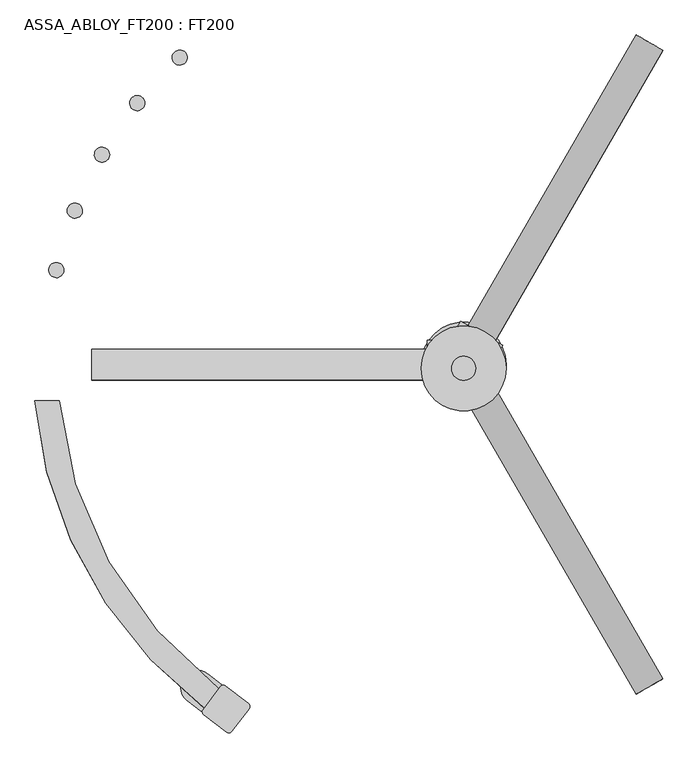
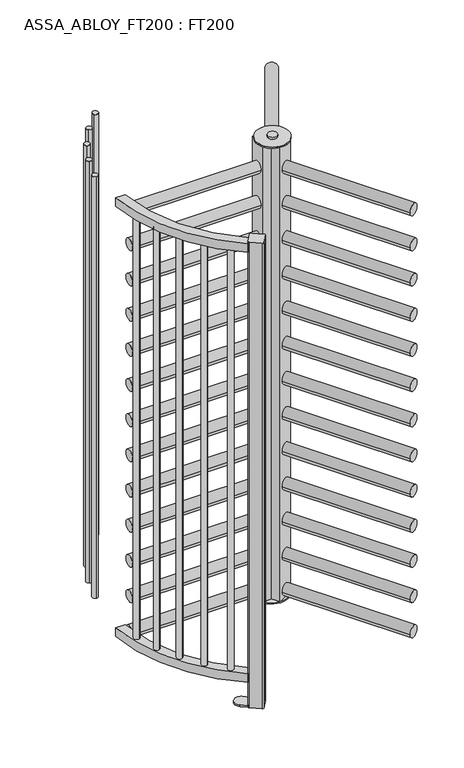
"""IFC4 building model written with IfcOpenShell, lengths in millimetres: proxy geometry, ASSA_ABLOY_FT200 : FT200."""

import ifcopenshell
import ifcopenshell.guid

model = None  # the IFC model being written
_history = None  # IfcOwnerHistory: only IFC2X3 demands one
_inside = {}  # id of a spatial element -> (the spatial element, [elements in it])
_under = {}  # id of a project, library or spatial element -> (it, [spatial elements below it])
_declared = {}  # id of a project -> (the project, [libraries it declares])
_typed = {}  # id of a type object -> (the type object, [elements of that type])
_made_of = {}  # id of a material, layer set ... -> (it, [elements and type objects made of it])


def new_model(schema):
    """Start an empty IFC model of exactly this schema.

    Asked for "IFC4X3", IfcOpenShell would pick the latest addendum, in which some entities
    have other attributes; the version numbers below select the first issue.
    IFC2X3 requires an IfcOwnerHistory on every rooted entity: one is made here for all.
    """
    global model, _history
    if schema == "IFC4X3":
        model = ifcopenshell.file(schema_version=(4, 3, 0, 0))
    else:
        model = ifcopenshell.file(schema=schema)
    _inside.clear()
    _under.clear()
    _declared.clear()
    _typed.clear()
    _made_of.clear()
    _history = None
    if model.schema == "IFC2X3":
        org = make("IfcOrganization", Name="unknown")
        user = make(
            "IfcPersonAndOrganization",
            ThePerson=make("IfcPerson", FamilyName="unknown"),
            TheOrganization=org,
        )
        app = make(
            "IfcApplication",
            ApplicationDeveloper=org,
            Version="unknown",
            ApplicationFullName="unknown",
            ApplicationIdentifier="unknown",
        )
        _history = make(
            "IfcOwnerHistory",
            OwningUser=user,
            OwningApplication=app,
            ChangeAction="ADDED",
            CreationDate=0,
        )
    return model


def make(cls, **values):
    """One entity of the class cls with the attributes given. An attribute that is None is left unset."""
    return model.create_entity(
        cls, **{name: value for name, value in values.items() if value is not None}
    )


def rooted(cls, **values):
    """An entity with a GlobalId (a new one), such as an element, a storey or a relation."""
    return make(cls, GlobalId=ifcopenshell.guid.new(), OwnerHistory=_history, **values)


def si_unit(unit_type, name, prefix=None):
    """IfcSIUnit, for example si_unit("LENGTHUNIT", "METRE", prefix="MILLI")."""
    return make("IfcSIUnit", UnitType=unit_type, Prefix=prefix, Name=name)


def assignment(units):
    """IfcUnitAssignment: the units of a project."""
    return None if units is None else make("IfcUnitAssignment", Units=units)


def point(xyz):
    """IfcCartesianPoint."""
    return None if xyz is None else make("IfcCartesianPoint", Coordinates=xyz)


def direction(xyz):
    """IfcDirection."""
    return None if xyz is None else make("IfcDirection", DirectionRatios=xyz)


def frame(location, z_axis=None, x_axis=None):
    """IfcAxis2Placement3D, a coordinate frame: its origin and axes. An axis left out is left unset."""
    return make(
        "IfcAxis2Placement3D",
        Location=point(location),
        Axis=direction(z_axis),
        RefDirection=direction(x_axis),
    )


def frame_2d(location, x_axis=None):
    """IfcAxis2Placement2D, a coordinate frame in the plane: its origin and x axis."""
    return make(
        "IfcAxis2Placement2D", Location=point(location), RefDirection=direction(x_axis)
    )


def origin():
    """The frame at (0, 0, 0) with its axes left unset."""
    return frame((0.0, 0.0, 0.0))


def origin_with_axes():
    """The frame at (0, 0, 0) with the z axis (0, 0, 1) and the x axis (1, 0, 0) written out."""
    return frame((0.0, 0.0, 0.0), z_axis=(0.0, 0.0, 1.0), x_axis=(1.0, 0.0, 0.0))


def origin_2d():
    """The frame at (0, 0) in the plane with its x axis left unset."""
    return frame_2d((0.0, 0.0))


def place(relative_to, where):
    """IfcLocalPlacement: puts the frame where relative to a parent placement (None: the world)."""
    return make(
        "IfcLocalPlacement", PlacementRelTo=relative_to, RelativePlacement=where
    )


def context(
    kind, dimensions, precision=None, world=None, true_north=None, identifier=None
):
    """IfcGeometricRepresentationContext, for example the 3D "Model" context."""
    return make(
        "IfcGeometricRepresentationContext",
        ContextIdentifier=identifier,
        ContextType=kind,
        CoordinateSpaceDimension=dimensions,
        Precision=precision,
        WorldCoordinateSystem=world,
        TrueNorth=true_north,
    )


def project(units=None, contexts=None):
    """IfcProject with its units and contexts."""
    return rooted(
        "IfcProject",
        Name="project",
        RepresentationContexts=contexts,
        UnitsInContext=assignment(units),
    )


def spatial(cls, under=None, at=None, **own):
    """A site, building, storey or space (cls), placed at a placement, below another one or the project."""
    s = rooted(cls, ObjectPlacement=at, **own)
    if under is not None:
        _under.setdefault(under.id(), (under, []))[1].append(s)
    return s


def polyline(points):
    """IfcPolyline through the points."""
    return make("IfcPolyline", Points=[point(p) for p in points])


def circle_curve(where, radius):
    """IfcCircle in the frame where."""
    return make("IfcCircle", Position=where, Radius=radius)


def trimmed(basis, trim1, trim2, sense, master):
    """IfcTrimmedCurve: the piece of a basis curve between two trims."""
    return make(
        "IfcTrimmedCurve",
        BasisCurve=basis,
        Trim1=trim1,
        Trim2=trim2,
        SenseAgreement=sense,
        MasterRepresentation=master,
    )


def segment(curve, same_sense, transition):
    """IfcCompositeCurveSegment."""
    return make(
        "IfcCompositeCurveSegment",
        Transition=transition,
        SameSense=same_sense,
        ParentCurve=curve,
    )


def composite_curve(segments, self_intersect=None):
    """IfcCompositeCurve: segments joined end to end."""
    return make("IfcCompositeCurve", Segments=segments, SelfIntersect=self_intersect)


def outline(outer, holes=None, kind="AREA"):
    """IfcArbitraryClosedProfileDef: a profile drawn as a closed curve; with holes, ...WithVoids."""
    if holes is None:
        return make("IfcArbitraryClosedProfileDef", ProfileType=kind, OuterCurve=outer)
    return make(
        "IfcArbitraryProfileDefWithVoids",
        ProfileType=kind,
        OuterCurve=outer,
        InnerCurves=holes,
    )


def extrude(swept, where, along, depth):
    """IfcExtrudedAreaSolid: the profile swept, set in the frame where, extruded along a direction by depth."""
    return make(
        "IfcExtrudedAreaSolid",
        SweptArea=swept,
        Position=where,
        ExtrudedDirection=direction(along),
        Depth=depth,
    )


def shape(context_of_items, identifier, shape_type, items):
    """IfcShapeRepresentation: the items that make up one representation, for example the "Body"."""
    return make(
        "IfcShapeRepresentation",
        ContextOfItems=context_of_items,
        RepresentationIdentifier=identifier,
        RepresentationType=shape_type,
        Items=items,
    )


def source(mapping_origin, context_of_items, identifier, shape_type, items):
    """IfcRepresentationMap: a shape defined once, which mapped items show again and again."""
    return make(
        "IfcRepresentationMap",
        MappingOrigin=mapping_origin,
        MappedRepresentation=shape(context_of_items, identifier, shape_type, items),
    )


def transform(
    local_origin,
    x_axis=None,
    y_axis=None,
    z_axis=None,
    scale=None,
    scale2=None,
    scale3=None,
    uniform=True,
):
    """IfcCartesianTransformationOperator3D, or its non-uniform kind. x_axis, y_axis, z_axis: its Axis1, 2, 3."""
    if uniform:
        return make(
            "IfcCartesianTransformationOperator3D",
            Axis1=direction(x_axis),
            Axis2=direction(y_axis),
            LocalOrigin=point(local_origin),
            Scale=scale,
            Axis3=direction(z_axis),
        )
    return make(
        "IfcCartesianTransformationOperator3DnonUniform",
        Axis1=direction(x_axis),
        Axis2=direction(y_axis),
        LocalOrigin=point(local_origin),
        Scale=scale,
        Axis3=direction(z_axis),
        Scale2=scale2,
        Scale3=scale3,
    )


def mapped(mapping_source, mapping_target):
    """IfcMappedItem: shows the shape of a source again, moved by a transform."""
    return make(
        "IfcMappedItem", MappingSource=mapping_source, MappingTarget=mapping_target
    )


def made_of(thing, what):
    """Note that an element or type object is made of a material, layer set ...; save() writes the relation."""
    if what is not None:
        _made_of.setdefault(what.id(), (what, []))[1].append(thing)
    return thing


def element(
    cls,
    number,
    at=None,
    inside=None,
    cuts=None,
    type_object=None,
    material=None,
    context=None,
    identifier="Body",
    shape_type=None,
    held_by="IfcProductDefinitionShape",
    body=None,
    shapes=None,
    **own,
):
    """One element of the class cls, such as IfcWall. Its Tag is "e" and its number.

    at: its placement. inside: the storey or other place that contains it. cuts: it is an
    opening in that element (IfcRelVoidsElement). A single representation is given by context,
    identifier, shape_type and body (its items); several are given by shapes. held_by: the class
    of the entity that holds the representations. save() writes the other relations.
    """
    e = rooted(cls, Tag="e%d" % number, ObjectPlacement=at, **own)
    if body is not None:
        shapes = [shape(context, identifier, shape_type, body)]
    if shapes is not None:
        e.Representation = make(held_by, Representations=shapes)
    if inside is not None:
        _inside.setdefault(inside.id(), (inside, []))[1].append(e)
    if cuts is not None:
        rooted(
            "IfcRelVoidsElement", RelatingBuildingElement=cuts, RelatedOpeningElement=e
        )
    if type_object is not None:
        _typed.setdefault(type_object.id(), (type_object, []))[1].append(e)
    return made_of(e, material)


def aggregate(whole, parts):
    """IfcRelAggregates: a whole, such as a stair, and the parts it consists of."""
    return rooted("IfcRelAggregates", RelatingObject=whole, RelatedObjects=parts)


def save(model, path):
    """Write the relations noted so far, then the file.

    IfcRelAggregates (storeys below a building ...), IfcRelContainedInSpatialStructure (elements
    in a storey), IfcRelDefinesByType, IfcRelAssociatesMaterial and IfcRelDeclares: one each for
    every whole, place, type object, material and project.
    """
    for whole, parts in _under.values():
        aggregate(whole, parts)
    for where, things in _inside.values():
        rooted(
            "IfcRelContainedInSpatialStructure",
            RelatedElements=things,
            RelatingStructure=where,
        )
    for kind, things in _typed.values():
        rooted("IfcRelDefinesByType", RelatedObjects=things, RelatingType=kind)
    for what, things in _made_of.values():
        rooted("IfcRelAssociatesMaterial", RelatedObjects=things, RelatingMaterial=what)
    for by, libraries in _declared.values():
        rooted("IfcRelDeclares", RelatingContext=by, RelatedDefinitions=libraries)
    model.write(path)


def plane_surface(at):
    """IfcPlane: the flat surface through the origin of the frame at, square to its z axis."""
    return make("IfcPlane", Position=at)


def cylinder_surface(at, radius):
    """IfcCylindricalSurface: all points at the distance radius from the z axis of the frame at."""
    return make("IfcCylindricalSurface", Position=at, Radius=radius)


def advanced_brep(points, edges, surfaces, faces):
    """IfcAdvancedBrep: a solid bounded by faces that lie on surfaces and meet in shared edges.

    An edge is (start, end): straight between two places in points (the first is 0);
    or (start, end, curve); or (start, end, curve, False) where it runs against its curve.
    A face is (place in surfaces, loops), or (place, loops, False) where it looks against
    its surface's normal. A loop lists edges by number (the first is 1), with a minus sign
    where the edge is run from its end to its start. The first loop is the outer one.
    """
    corners = [point(p) for p in points]
    vertices = [make("IfcVertexPoint", VertexGeometry=c) for c in corners]
    made = []
    for start, end, *more in edges:
        made.append(
            make(
                "IfcEdgeCurve",
                EdgeStart=vertices[start],
                EdgeEnd=vertices[end],
                EdgeGeometry=more[0] if more else make("IfcPolyline", Points=[corners[start], corners[end]]),
                SameSense=more[1] if len(more) > 1 else True,
            )
        )
    hull = []
    for where, loops, *sense in faces:
        bounds = []
        for j, loop in enumerate(loops):
            ring = [make("IfcOrientedEdge", EdgeElement=made[abs(k) - 1], Orientation=k > 0) for k in loop]
            bounds.append(
                make(
                    "IfcFaceOuterBound" if j == 0 else "IfcFaceBound",
                    Bound=make("IfcEdgeLoop", EdgeList=ring),
                    Orientation=True,
                )
            )
        hull.append(make("IfcAdvancedFace", Bounds=bounds, FaceSurface=surfaces[where], SameSense=sense[0] if sense else True))
    return make("IfcAdvancedBrep", Outer=make("IfcClosedShell", CfsFaces=hull))


def assa_abloy_ft200_ft200_7b06ebcd(model_context):
    return source(origin(), model_context, "Body", "SolidModel", [
        extrude(outline(composite_curve([segment(trimmed(circle_curve(frame_2d((25.5, -2.28e-05)), 25.5), [point((25.5, 25.4999771))], [point((25.5, -25.5000229))], False, "CARTESIAN"), True, "CONTINUOUS"), segment(trimmed(circle_curve(frame_2d((25.5, -2.28e-05)), 25.5), [point((25.5, -25.5000229))], [point((25.5, 25.4999771))], False, "CARTESIAN"), True, "CONTINUOUS")], self_intersect=False)), frame((307.9197029, -533.3773229, 37.0), z_axis=(-0.49996853474322756, 0.866043569496772, 0.0), x_axis=(0.0, 0.0, 1.0)), (0.0, 0.0, 1.0), 555.9000001),
        extrude(outline(composite_curve([segment(trimmed(circle_curve(frame_2d((186.5, -2.28e-05)), 25.5), [point((186.5, 25.4999771))], [point((186.5, -25.5000229))], False, "CARTESIAN"), True, "CONTINUOUS"), segment(trimmed(circle_curve(frame_2d((186.5, -2.28e-05)), 25.5), [point((186.5, -25.5000229))], [point((186.5, 25.4999771))], False, "CARTESIAN"), True, "CONTINUOUS")], self_intersect=False)), frame((307.9197029, -533.3773229, 37.0), z_axis=(-0.49996853474322756, 0.866043569496772, 0.0), x_axis=(0.0, 0.0, 1.0)), (0.0, 0.0, 1.0), 555.9000001),
        extrude(outline(composite_curve([segment(trimmed(circle_curve(frame_2d((347.5, -2.28e-05)), 25.5), [point((347.5, 25.4999771))], [point((347.5, -25.5000229))], False, "CARTESIAN"), True, "CONTINUOUS"), segment(trimmed(circle_curve(frame_2d((347.5, -2.28e-05)), 25.5), [point((347.5, -25.5000229))], [point((347.5, 25.4999771))], False, "CARTESIAN"), True, "CONTINUOUS")], self_intersect=False)), frame((307.9197029, -533.3773229, 37.0), z_axis=(-0.49996853474322756, 0.866043569496772, 0.0), x_axis=(0.0, 0.0, 1.0)), (0.0, 0.0, 1.0), 555.9000001),
        extrude(outline(composite_curve([segment(trimmed(circle_curve(frame_2d((508.5, -2.28e-05)), 25.5), [point((508.5, 25.4999771))], [point((508.5, -25.5000229))], False, "CARTESIAN"), True, "CONTINUOUS"), segment(trimmed(circle_curve(frame_2d((508.5, -2.28e-05)), 25.5), [point((508.5, -25.5000229))], [point((508.5, 25.4999771))], False, "CARTESIAN"), True, "CONTINUOUS")], self_intersect=False)), frame((307.9197029, -533.3773229, 37.0), z_axis=(-0.49996853474322756, 0.866043569496772, 0.0), x_axis=(0.0, 0.0, 1.0)), (0.0, 0.0, 1.0), 555.9000001),
        extrude(outline(composite_curve([segment(trimmed(circle_curve(frame_2d((669.5, -2.28e-05)), 25.5), [point((669.5, 25.4999771))], [point((669.5, -25.5000229))], False, "CARTESIAN"), True, "CONTINUOUS"), segment(trimmed(circle_curve(frame_2d((669.5, -2.28e-05)), 25.5), [point((669.5, -25.5000229))], [point((669.5, 25.4999771))], False, "CARTESIAN"), True, "CONTINUOUS")], self_intersect=False)), frame((307.9197029, -533.3773229, 37.0), z_axis=(-0.49996853474322756, 0.866043569496772, 0.0), x_axis=(0.0, 0.0, 1.0)), (0.0, 0.0, 1.0), 555.9000001),
        extrude(outline(composite_curve([segment(trimmed(circle_curve(frame_2d((830.5, -2.28e-05)), 25.5), [point((830.5, 25.4999771))], [point((830.5, -25.5000229))], False, "CARTESIAN"), True, "CONTINUOUS"), segment(trimmed(circle_curve(frame_2d((830.5, -2.28e-05)), 25.5), [point((830.5, -25.5000229))], [point((830.5, 25.4999771))], False, "CARTESIAN"), True, "CONTINUOUS")], self_intersect=False)), frame((307.9197029, -533.3773229, 37.0), z_axis=(-0.49996853474322756, 0.866043569496772, 0.0), x_axis=(0.0, 0.0, 1.0)), (0.0, 0.0, 1.0), 555.9000001),
        extrude(outline(composite_curve([segment(trimmed(circle_curve(frame_2d((991.5, -2.28e-05)), 25.5), [point((991.5, 25.4999771))], [point((991.5, -25.5000229))], False, "CARTESIAN"), True, "CONTINUOUS"), segment(trimmed(circle_curve(frame_2d((991.5, -2.28e-05)), 25.5), [point((991.5, -25.5000229))], [point((991.5, 25.4999771))], False, "CARTESIAN"), True, "CONTINUOUS")], self_intersect=False)), frame((307.9197029, -533.3773229, 37.0), z_axis=(-0.49996853474322756, 0.866043569496772, 0.0), x_axis=(0.0, 0.0, 1.0)), (0.0, 0.0, 1.0), 555.9000001),
        extrude(outline(composite_curve([segment(trimmed(circle_curve(frame_2d((1152.5, -2.28e-05)), 25.5), [point((1152.5, 25.4999771))], [point((1152.5, -25.5000229))], False, "CARTESIAN"), True, "CONTINUOUS"), segment(trimmed(circle_curve(frame_2d((1152.5, -2.28e-05)), 25.5), [point((1152.5, -25.5000229))], [point((1152.5, 25.4999771))], False, "CARTESIAN"), True, "CONTINUOUS")], self_intersect=False)), frame((307.9197029, -533.3773229, 37.0), z_axis=(-0.49996853474322756, 0.866043569496772, 0.0), x_axis=(0.0, 0.0, 1.0)), (0.0, 0.0, 1.0), 555.9000001),
        extrude(outline(composite_curve([segment(trimmed(circle_curve(frame_2d((1313.5, -2.28e-05)), 25.5), [point((1313.5, 25.4999771))], [point((1313.5, -25.5000229))], False, "CARTESIAN"), True, "CONTINUOUS"), segment(trimmed(circle_curve(frame_2d((1313.5, -2.28e-05)), 25.5), [point((1313.5, -25.5000229))], [point((1313.5, 25.4999771))], False, "CARTESIAN"), True, "CONTINUOUS")], self_intersect=False)), frame((307.9197029, -533.3773229, 37.0), z_axis=(-0.49996853474322756, 0.866043569496772, 0.0), x_axis=(0.0, 0.0, 1.0)), (0.0, 0.0, 1.0), 555.9000001),
        extrude(outline(composite_curve([segment(trimmed(circle_curve(frame_2d((1474.5, -2.28e-05)), 25.5), [point((1474.5, 25.4999771))], [point((1474.5, -25.5000229))], False, "CARTESIAN"), True, "CONTINUOUS"), segment(trimmed(circle_curve(frame_2d((1474.5, -2.28e-05)), 25.5), [point((1474.5, -25.5000229))], [point((1474.5, 25.4999771))], False, "CARTESIAN"), True, "CONTINUOUS")], self_intersect=False)), frame((307.9197029, -533.3773229, 37.0), z_axis=(-0.49996853474322756, 0.866043569496772, 0.0), x_axis=(0.0, 0.0, 1.0)), (0.0, 0.0, 1.0), 555.9000001),
        extrude(outline(composite_curve([segment(trimmed(circle_curve(frame_2d((1635.5, -2.28e-05)), 25.5), [point((1635.5, 25.4999771))], [point((1635.5, -25.5000229))], False, "CARTESIAN"), True, "CONTINUOUS"), segment(trimmed(circle_curve(frame_2d((1635.5, -2.28e-05)), 25.5), [point((1635.5, -25.5000229))], [point((1635.5, 25.4999771))], False, "CARTESIAN"), True, "CONTINUOUS")], self_intersect=False)), frame((307.9197029, -533.3773229, 37.0), z_axis=(-0.49996853474322756, 0.866043569496772, 0.0), x_axis=(0.0, 0.0, 1.0)), (0.0, 0.0, 1.0), 555.9000001),
        extrude(outline(composite_curve([segment(trimmed(circle_curve(frame_2d((1796.5, -2.28e-05)), 25.5), [point((1796.5, 25.4999771))], [point((1796.5, -25.5000229))], False, "CARTESIAN"), True, "CONTINUOUS"), segment(trimmed(circle_curve(frame_2d((1796.5, -2.28e-05)), 25.5), [point((1796.5, -25.5000229))], [point((1796.5, 25.4999771))], False, "CARTESIAN"), True, "CONTINUOUS")], self_intersect=False)), frame((307.9197029, -533.3773229, 37.0), z_axis=(-0.49996853474322756, 0.866043569496772, 0.0), x_axis=(0.0, 0.0, 1.0)), (0.0, 0.0, 1.0), 555.9000001),
        extrude(outline(composite_curve([segment(trimmed(circle_curve(frame_2d((1957.5, -2.28e-05)), 25.5), [point((1957.5, 25.4999771))], [point((1957.5, -25.5000229))], False, "CARTESIAN"), True, "CONTINUOUS"), segment(trimmed(circle_curve(frame_2d((1957.5, -2.28e-05)), 25.5), [point((1957.5, -25.5000229))], [point((1957.5, 25.4999771))], False, "CARTESIAN"), True, "CONTINUOUS")], self_intersect=False)), frame((307.9197029, -533.3773229, 37.0), z_axis=(-0.49996853474322756, 0.866043569496772, 0.0), x_axis=(0.0, 0.0, 1.0)), (0.0, 0.0, 1.0), 555.9000001),
        extrude(outline(composite_curve([segment(trimmed(circle_curve(frame_2d((25.5, 2.28e-05)), 25.5), [point((25.5, -25.4999772))], [point((25.5, 25.5000228))], False, "CARTESIAN"), True, "CONTINUOUS"), segment(trimmed(circle_curve(frame_2d((25.5, 2.28e-05)), 25.5), [point((25.5, 25.5000228))], [point((25.5, -25.4999772))], False, "CARTESIAN"), True, "CONTINUOUS")], self_intersect=False)), frame((29.9917907, 51.946396, 37.0), z_axis=(0.5000065646043342, 0.8660216136751852, 0.0), x_axis=(0.0, 0.0, 1.0)), (0.0, 0.0, 1.0), 555.9),
        extrude(outline(composite_curve([segment(trimmed(circle_curve(frame_2d((186.5, 2.28e-05)), 25.5), [point((186.5, -25.4999772))], [point((186.5, 25.5000228))], False, "CARTESIAN"), True, "CONTINUOUS"), segment(trimmed(circle_curve(frame_2d((186.5, 2.28e-05)), 25.5), [point((186.5, 25.5000228))], [point((186.5, -25.4999772))], False, "CARTESIAN"), True, "CONTINUOUS")], self_intersect=False)), frame((29.9917907, 51.946396, 37.0), z_axis=(0.5000065646043342, 0.8660216136751852, 0.0), x_axis=(0.0, 0.0, 1.0)), (0.0, 0.0, 1.0), 555.9),
        extrude(outline(composite_curve([segment(trimmed(circle_curve(frame_2d((347.5, 2.28e-05)), 25.5), [point((347.5, -25.4999772))], [point((347.5, 25.5000228))], False, "CARTESIAN"), True, "CONTINUOUS"), segment(trimmed(circle_curve(frame_2d((347.5, 2.28e-05)), 25.5), [point((347.5, 25.5000228))], [point((347.5, -25.4999772))], False, "CARTESIAN"), True, "CONTINUOUS")], self_intersect=False)), frame((29.9917907, 51.946396, 37.0), z_axis=(0.5000065646043342, 0.8660216136751852, 0.0), x_axis=(0.0, 0.0, 1.0)), (0.0, 0.0, 1.0), 555.9),
        extrude(outline(composite_curve([segment(trimmed(circle_curve(frame_2d((508.5, 2.28e-05)), 25.5), [point((508.5, -25.4999772))], [point((508.5, 25.5000228))], False, "CARTESIAN"), True, "CONTINUOUS"), segment(trimmed(circle_curve(frame_2d((508.5, 2.28e-05)), 25.5), [point((508.5, 25.5000228))], [point((508.5, -25.4999772))], False, "CARTESIAN"), True, "CONTINUOUS")], self_intersect=False)), frame((29.9917907, 51.946396, 37.0), z_axis=(0.5000065646043342, 0.8660216136751852, 0.0), x_axis=(0.0, 0.0, 1.0)), (0.0, 0.0, 1.0), 555.9),
        extrude(outline(composite_curve([segment(trimmed(circle_curve(frame_2d((669.5, 2.28e-05)), 25.5), [point((669.5, -25.4999772))], [point((669.5, 25.5000228))], False, "CARTESIAN"), True, "CONTINUOUS"), segment(trimmed(circle_curve(frame_2d((669.5, 2.28e-05)), 25.5), [point((669.5, 25.5000228))], [point((669.5, -25.4999772))], False, "CARTESIAN"), True, "CONTINUOUS")], self_intersect=False)), frame((29.9917907, 51.946396, 37.0), z_axis=(0.5000065646043342, 0.8660216136751852, 0.0), x_axis=(0.0, 0.0, 1.0)), (0.0, 0.0, 1.0), 555.9),
        extrude(outline(composite_curve([segment(trimmed(circle_curve(frame_2d((830.5, 2.28e-05)), 25.5), [point((830.5, -25.4999772))], [point((830.5, 25.5000228))], False, "CARTESIAN"), True, "CONTINUOUS"), segment(trimmed(circle_curve(frame_2d((830.5, 2.28e-05)), 25.5), [point((830.5, 25.5000228))], [point((830.5, -25.4999772))], False, "CARTESIAN"), True, "CONTINUOUS")], self_intersect=False)), frame((29.9917907, 51.946396, 37.0), z_axis=(0.5000065646043342, 0.8660216136751852, 0.0), x_axis=(0.0, 0.0, 1.0)), (0.0, 0.0, 1.0), 555.9),
        extrude(outline(composite_curve([segment(trimmed(circle_curve(frame_2d((991.5, 2.28e-05)), 25.5), [point((991.5, -25.4999772))], [point((991.5, 25.5000228))], False, "CARTESIAN"), True, "CONTINUOUS"), segment(trimmed(circle_curve(frame_2d((991.5, 2.28e-05)), 25.5), [point((991.5, 25.5000228))], [point((991.5, -25.4999772))], False, "CARTESIAN"), True, "CONTINUOUS")], self_intersect=False)), frame((29.9917907, 51.946396, 37.0), z_axis=(0.5000065646043342, 0.8660216136751852, 0.0), x_axis=(0.0, 0.0, 1.0)), (0.0, 0.0, 1.0), 555.9),
        extrude(outline(composite_curve([segment(trimmed(circle_curve(frame_2d((1152.5, 2.28e-05)), 25.5), [point((1152.5, -25.4999772))], [point((1152.5, 25.5000228))], False, "CARTESIAN"), True, "CONTINUOUS"), segment(trimmed(circle_curve(frame_2d((1152.5, 2.28e-05)), 25.5), [point((1152.5, 25.5000228))], [point((1152.5, -25.4999772))], False, "CARTESIAN"), True, "CONTINUOUS")], self_intersect=False)), frame((29.9917907, 51.946396, 37.0), z_axis=(0.5000065646043342, 0.8660216136751852, 0.0), x_axis=(0.0, 0.0, 1.0)), (0.0, 0.0, 1.0), 555.9),
        extrude(outline(composite_curve([segment(trimmed(circle_curve(frame_2d((1313.5, 2.28e-05)), 25.5), [point((1313.5, -25.4999772))], [point((1313.5, 25.5000228))], False, "CARTESIAN"), True, "CONTINUOUS"), segment(trimmed(circle_curve(frame_2d((1313.5, 2.28e-05)), 25.5), [point((1313.5, 25.5000228))], [point((1313.5, -25.4999772))], False, "CARTESIAN"), True, "CONTINUOUS")], self_intersect=False)), frame((29.9917907, 51.946396, 37.0), z_axis=(0.5000065646043342, 0.8660216136751852, 0.0), x_axis=(0.0, 0.0, 1.0)), (0.0, 0.0, 1.0), 555.9),
        extrude(outline(composite_curve([segment(trimmed(circle_curve(frame_2d((1474.5, 2.28e-05)), 25.5), [point((1474.5, -25.4999772))], [point((1474.5, 25.5000228))], False, "CARTESIAN"), True, "CONTINUOUS"), segment(trimmed(circle_curve(frame_2d((1474.5, 2.28e-05)), 25.5), [point((1474.5, 25.5000228))], [point((1474.5, -25.4999772))], False, "CARTESIAN"), True, "CONTINUOUS")], self_intersect=False)), frame((29.9917907, 51.946396, 37.0), z_axis=(0.5000065646043342, 0.8660216136751852, 0.0), x_axis=(0.0, 0.0, 1.0)), (0.0, 0.0, 1.0), 555.9),
        extrude(outline(composite_curve([segment(trimmed(circle_curve(frame_2d((1635.5, 2.28e-05)), 25.5), [point((1635.5, -25.4999772))], [point((1635.5, 25.5000228))], False, "CARTESIAN"), True, "CONTINUOUS"), segment(trimmed(circle_curve(frame_2d((1635.5, 2.28e-05)), 25.5), [point((1635.5, 25.5000228))], [point((1635.5, -25.4999772))], False, "CARTESIAN"), True, "CONTINUOUS")], self_intersect=False)), frame((29.9917907, 51.946396, 37.0), z_axis=(0.5000065646043342, 0.8660216136751852, 0.0), x_axis=(0.0, 0.0, 1.0)), (0.0, 0.0, 1.0), 555.9),
        extrude(outline(composite_curve([segment(trimmed(circle_curve(frame_2d((1796.5, 2.28e-05)), 25.5), [point((1796.5, -25.4999772))], [point((1796.5, 25.5000228))], False, "CARTESIAN"), True, "CONTINUOUS"), segment(trimmed(circle_curve(frame_2d((1796.5, 2.28e-05)), 25.5), [point((1796.5, 25.5000228))], [point((1796.5, -25.4999772))], False, "CARTESIAN"), True, "CONTINUOUS")], self_intersect=False)), frame((29.9917907, 51.946396, 37.0), z_axis=(0.5000065646043342, 0.8660216136751852, 0.0), x_axis=(0.0, 0.0, 1.0)), (0.0, 0.0, 1.0), 555.9),
        extrude(outline(composite_curve([segment(trimmed(circle_curve(frame_2d((1957.5, 2.28e-05)), 25.5), [point((1957.5, -25.4999772))], [point((1957.5, 25.5000228))], False, "CARTESIAN"), True, "CONTINUOUS"), segment(trimmed(circle_curve(frame_2d((1957.5, 2.28e-05)), 25.5), [point((1957.5, 25.5000228))], [point((1957.5, -25.4999772))], False, "CARTESIAN"), True, "CONTINUOUS")], self_intersect=False)), frame((29.9917907, 51.946396, 37.0), z_axis=(0.5000065646043342, 0.8660216136751852, 0.0), x_axis=(0.0, 0.0, 1.0)), (0.0, 0.0, 1.0), 555.9),
        extrude(outline(composite_curve([segment(trimmed(circle_curve(frame_2d((0.0, 62.5)), 25.5), [point((-25.5, 62.5))], [point((25.5, 62.5))], False, "CARTESIAN"), True, "CONTINUOUS"), segment(trimmed(circle_curve(frame_2d((0.0, 62.5)), 25.5), [point((25.5, 62.5))], [point((-25.5, 62.5))], False, "CARTESIAN"), True, "CONTINUOUS")], self_intersect=False)), frame((-615.9, 0.0, 0.0), z_axis=(1.0, 0.0, 0.0), x_axis=(0.0, 1.0, 0.0)), (0.0, 0.0, 1.0), 555.9),
        extrude(outline(composite_curve([segment(trimmed(circle_curve(frame_2d((0.0, 223.5)), 25.5), [point((-25.5, 223.5))], [point((25.5, 223.5))], False, "CARTESIAN"), True, "CONTINUOUS"), segment(trimmed(circle_curve(frame_2d((0.0, 223.5)), 25.5), [point((25.5, 223.5))], [point((-25.5, 223.5))], False, "CARTESIAN"), True, "CONTINUOUS")], self_intersect=False)), frame((-615.9, 0.0, 0.0), z_axis=(1.0, 0.0, 0.0), x_axis=(0.0, 1.0, 0.0)), (0.0, 0.0, 1.0), 555.9),
        extrude(outline(composite_curve([segment(trimmed(circle_curve(frame_2d((0.0, 384.5)), 25.5), [point((-25.5, 384.5))], [point((25.5, 384.5))], False, "CARTESIAN"), True, "CONTINUOUS"), segment(trimmed(circle_curve(frame_2d((0.0, 384.5)), 25.5), [point((25.5, 384.5))], [point((-25.5, 384.5))], False, "CARTESIAN"), True, "CONTINUOUS")], self_intersect=False)), frame((-615.9, 0.0, 0.0), z_axis=(1.0, 0.0, 0.0), x_axis=(0.0, 1.0, 0.0)), (0.0, 0.0, 1.0), 555.9),
        extrude(outline(composite_curve([segment(trimmed(circle_curve(frame_2d((0.0, 545.5)), 25.5), [point((-25.5, 545.5))], [point((25.5, 545.5))], False, "CARTESIAN"), True, "CONTINUOUS"), segment(trimmed(circle_curve(frame_2d((0.0, 545.5)), 25.5), [point((25.5, 545.5))], [point((-25.5, 545.5))], False, "CARTESIAN"), True, "CONTINUOUS")], self_intersect=False)), frame((-615.9, 0.0, 0.0), z_axis=(1.0, 0.0, 0.0), x_axis=(0.0, 1.0, 0.0)), (0.0, 0.0, 1.0), 555.9),
        extrude(outline(composite_curve([segment(trimmed(circle_curve(frame_2d((0.0, 706.5)), 25.5), [point((-25.5, 706.5))], [point((25.5, 706.5))], False, "CARTESIAN"), True, "CONTINUOUS"), segment(trimmed(circle_curve(frame_2d((0.0, 706.5)), 25.5), [point((25.5, 706.5))], [point((-25.5, 706.5))], False, "CARTESIAN"), True, "CONTINUOUS")], self_intersect=False)), frame((-615.9, 0.0, 0.0), z_axis=(1.0, 0.0, 0.0), x_axis=(0.0, 1.0, 0.0)), (0.0, 0.0, 1.0), 555.9),
        extrude(outline(composite_curve([segment(trimmed(circle_curve(frame_2d((0.0, 867.5)), 25.5), [point((-25.5, 867.5))], [point((25.5, 867.5))], False, "CARTESIAN"), True, "CONTINUOUS"), segment(trimmed(circle_curve(frame_2d((0.0, 867.5)), 25.5), [point((25.5, 867.5))], [point((-25.5, 867.5))], False, "CARTESIAN"), True, "CONTINUOUS")], self_intersect=False)), frame((-615.9, 0.0, 0.0), z_axis=(1.0, 0.0, 0.0), x_axis=(0.0, 1.0, 0.0)), (0.0, 0.0, 1.0), 555.9),
        extrude(outline(composite_curve([segment(trimmed(circle_curve(frame_2d((0.0, 1028.5)), 25.5), [point((-25.5, 1028.5))], [point((25.5, 1028.5))], False, "CARTESIAN"), True, "CONTINUOUS"), segment(trimmed(circle_curve(frame_2d((0.0, 1028.5)), 25.5), [point((25.5, 1028.5))], [point((-25.5, 1028.5))], False, "CARTESIAN"), True, "CONTINUOUS")], self_intersect=False)), frame((-615.9, 0.0, 0.0), z_axis=(1.0, 0.0, 0.0), x_axis=(0.0, 1.0, 0.0)), (0.0, 0.0, 1.0), 555.9),
        extrude(outline(composite_curve([segment(trimmed(circle_curve(frame_2d((0.0, 1189.5)), 25.5), [point((-25.5, 1189.5))], [point((25.5, 1189.5))], False, "CARTESIAN"), True, "CONTINUOUS"), segment(trimmed(circle_curve(frame_2d((0.0, 1189.5)), 25.5), [point((25.5, 1189.5))], [point((-25.5, 1189.5))], False, "CARTESIAN"), True, "CONTINUOUS")], self_intersect=False)), frame((-615.9, 0.0, 0.0), z_axis=(1.0, 0.0, 0.0), x_axis=(0.0, 1.0, 0.0)), (0.0, 0.0, 1.0), 555.9),
        extrude(outline(composite_curve([segment(trimmed(circle_curve(frame_2d((0.0, 1350.5)), 25.5), [point((-25.5, 1350.5))], [point((25.5, 1350.5))], False, "CARTESIAN"), True, "CONTINUOUS"), segment(trimmed(circle_curve(frame_2d((0.0, 1350.5)), 25.5), [point((25.5, 1350.5))], [point((-25.5, 1350.5))], False, "CARTESIAN"), True, "CONTINUOUS")], self_intersect=False)), frame((-615.9, 0.0, 0.0), z_axis=(1.0, 0.0, 0.0), x_axis=(0.0, 1.0, 0.0)), (0.0, 0.0, 1.0), 555.9),
        extrude(outline(composite_curve([segment(trimmed(circle_curve(frame_2d((0.0, 1511.5)), 25.5), [point((-25.5, 1511.5))], [point((25.5, 1511.5))], False, "CARTESIAN"), True, "CONTINUOUS"), segment(trimmed(circle_curve(frame_2d((0.0, 1511.5)), 25.5), [point((25.5, 1511.5))], [point((-25.5, 1511.5))], False, "CARTESIAN"), True, "CONTINUOUS")], self_intersect=False)), frame((-615.9, 0.0, 0.0), z_axis=(1.0, 0.0, 0.0), x_axis=(0.0, 1.0, 0.0)), (0.0, 0.0, 1.0), 555.9),
        extrude(outline(composite_curve([segment(trimmed(circle_curve(frame_2d((0.0, 1672.5)), 25.5), [point((-25.5, 1672.5))], [point((25.5, 1672.5))], False, "CARTESIAN"), True, "CONTINUOUS"), segment(trimmed(circle_curve(frame_2d((0.0, 1672.5)), 25.5), [point((25.5, 1672.5))], [point((-25.5, 1672.5))], False, "CARTESIAN"), True, "CONTINUOUS")], self_intersect=False)), frame((-615.9, 0.0, 0.0), z_axis=(1.0, 0.0, 0.0), x_axis=(0.0, 1.0, 0.0)), (0.0, 0.0, 1.0), 555.9),
        extrude(outline(composite_curve([segment(trimmed(circle_curve(frame_2d((0.0, 1833.5)), 25.5), [point((-25.5, 1833.5))], [point((25.5, 1833.5))], False, "CARTESIAN"), True, "CONTINUOUS"), segment(trimmed(circle_curve(frame_2d((0.0, 1833.5)), 25.5), [point((25.5, 1833.5))], [point((-25.5, 1833.5))], False, "CARTESIAN"), True, "CONTINUOUS")], self_intersect=False)), frame((-615.9, 0.0, 0.0), z_axis=(1.0, 0.0, 0.0), x_axis=(0.0, 1.0, 0.0)), (0.0, 0.0, 1.0), 555.9),
        extrude(outline(composite_curve([segment(trimmed(circle_curve(frame_2d((0.0, 1994.5)), 25.5), [point((-25.5, 1994.5))], [point((25.5, 1994.5))], False, "CARTESIAN"), True, "CONTINUOUS"), segment(trimmed(circle_curve(frame_2d((0.0, 1994.5)), 25.5), [point((25.5, 1994.5))], [point((-25.5, 1994.5))], False, "CARTESIAN"), True, "CONTINUOUS")], self_intersect=False)), frame((-615.9, 0.0, 0.0), z_axis=(1.0, 0.0, 0.0), x_axis=(0.0, 1.0, 0.0)), (0.0, 0.0, 1.0), 555.9),
        extrude(outline(composite_curve([segment(trimmed(circle_curve(frame_2d((-0.0003681, -6.5842658)), 20.0), [point((19.9996319, -6.5842658))], [point((-20.0003681, -6.5842658))], False, "CARTESIAN"), True, "CONTINUOUS"), segment(trimmed(circle_curve(frame_2d((-0.0003681, -6.5842658)), 20.0), [point((-20.0003681, -6.5842658))], [point((19.9996319, -6.5842658))], False, "CARTESIAN"), True, "CONTINUOUS")], self_intersect=False)), frame((0.0, 0.0, 2116.4999542), z_axis=(0.0, 0.0, 1.0), x_axis=(1.0, 0.0, 0.0)), (0.0, 0.0, 1.0), 8.5),
        extrude(outline(composite_curve([segment(trimmed(circle_curve(frame_2d((-0.0003681, -6.5842658)), 70.5), [point((70.4996319, -6.5842658))], [point((-70.5003681, -6.5842658))], False, "CARTESIAN"), True, "CONTINUOUS"), segment(trimmed(circle_curve(frame_2d((-0.0003681, -6.5842658)), 70.5), [point((-70.5003681, -6.5842658))], [point((70.4996319, -6.5842658))], False, "CARTESIAN"), True, "CONTINUOUS")], self_intersect=False)), frame((0.0, 0.0, 2110.4999695), z_axis=(0.0, 0.0, 1.0), x_axis=(1.0, 0.0, 0.0)), (0.0, 0.0, 1.0), 5.9999847),
        extrude(outline(composite_curve([segment(trimmed(circle_curve(frame_2d((-0.0003681, 0.0)), 20.0), [point((19.9996319, 0.0))], [point((-20.0003681, 0.0))], False, "CARTESIAN"), True, "CONTINUOUS"), segment(trimmed(circle_curve(frame_2d((-0.0003681, 0.0)), 20.0), [point((-20.0003681, 0.0))], [point((19.9996319, 0.0))], False, "CARTESIAN"), True, "CONTINUOUS")], self_intersect=False)), frame((0.0, 0.0, 8.0), z_axis=(0.0, 0.0, 1.0), x_axis=(1.0, 0.0, 0.0)), (0.0, 0.0, 1.0), 13.0),
        extrude(outline(composite_curve([segment(trimmed(circle_curve(frame_2d((-0.0003681, 0.0)), 70.5), [point((70.4996319, 0.0))], [point((-70.5003681, 0.0))], False, "CARTESIAN"), True, "CONTINUOUS"), segment(trimmed(circle_curve(frame_2d((-0.0003681, 0.0)), 70.5), [point((-70.5003681, 0.0))], [point((70.4996319, 0.0))], False, "CARTESIAN"), True, "CONTINUOUS")], self_intersect=False)), frame((0.0, 0.0, 21.0), z_axis=(0.0, 0.0, 1.0), x_axis=(1.0, 0.0, 0.0)), (0.0, 0.0, 1.0), 5.9999847),
        extrude(outline(polyline([(-23.0942963, 39.9999606), (-4.6494225, 71.9468599), (64.6324519, 31.9462508), (46.1879562, 0.0), (63.2809074, -32.7231813), (-4.2026102, -71.6815392), (-23.0942625, -40.0000191), (-60.0, -40.0000191), (-60.0, 39.9999734), (-23.0942963, 39.9999606)])), frame((0.0, 0.0, 26.9999847), z_axis=(0.0, 0.0, 1.0), x_axis=(1.0, 0.0, 0.0)), (0.0, 0.0, 1.0), 2083.4999847),
        advanced_brep(
        [(-672.1714963, -168.5710324, 148.5), (-677.7971029, -144.2122099, 148.5), (-672.1714963, -168.5710324, 2077.0), (-677.7624423, -144.2042311, 2077.0)],
        [
            (0, 1, circle_curve(frame((-674.9756359, -156.3896203, 148.5), z_axis=(0.0, 0.0, -1.0), x_axis=(-0.22571736015093904, 0.9741928316952919, 0.0)), 12.5)),
            (1, 0, circle_curve(frame((-674.9756359, -156.3896203, 148.5), z_axis=(0.0, 0.0, -1.0), x_axis=(-0.22571736015093904, 0.9741928316952919, 0.0)), 12.5)),
            (2, 3, circle_curve(frame((-674.9756359, -156.3896203, 2077.0), z_axis=(0.0, 0.0, 1.0), x_axis=(-0.22571736015093904, 0.9741928316952919, 0.0)), 12.5)),
            (3, 2, circle_curve(frame((-674.9756359, -156.3896203, 2077.0), z_axis=(0.0, 0.0, 1.0), x_axis=(-0.22571736015093904, 0.9741928316952919, 0.0)), 12.5)),
            (0, 2),
            (3, 1),
        ],
        [
            plane_surface(frame((-675.0182131, -156.3995588, 148.5), z_axis=(0.0, 0.0, -1.0), x_axis=(-0.9741928316952919, -0.22571736015093904, 0.0))),
            plane_surface(frame((-675.0182131, -156.3995588, 2077.0), z_axis=(0.0, 0.0, 1.0), x_axis=(-0.9741928316952919, -0.22571736015093904, 0.0))),
            cylinder_surface(frame((-674.9756359, -156.3896203, 148.5), z_axis=(0.0, 0.0, -1.0), x_axis=(-0.22571736015093904, 0.9741928316952919, 0.0)), 12.5),
        ],
        [
            (0, [[1, 2]]),
            (1, [[3, 4]]),
            (2, [[-1, 5, -4, 6]]),
            (2, [[-2, -6, -3, -5]]),
        ],
    ),
        advanced_brep(
        [(-648.8913928, -243.2502324, 148.5), (-639.6455551, -266.4776767, 148.5), (-648.8913928, -243.2502324, 2077.0), (-639.6786074, -266.4908061, 2077.0)],
        [
            (0, 1, circle_curve(frame((-644.2767347, -254.8672428, 148.5), z_axis=(0.0, 0.0, -1.0), x_axis=(-0.36785018396747954, 0.9298850693258235, 0.0)), 12.5)),
            (1, 0, circle_curve(frame((-644.2767347, -254.8672428, 148.5), z_axis=(0.0, 0.0, -1.0), x_axis=(-0.36785018396747954, 0.9298850693258235, 0.0)), 12.5)),
            (2, 3, circle_curve(frame((-644.2767347, -254.8672428, 2077.0), z_axis=(0.0, 0.0, 1.0), x_axis=(-0.36785018396747954, 0.9298850693258235, 0.0)), 12.5)),
            (3, 2, circle_curve(frame((-644.2767347, -254.8672428, 2077.0), z_axis=(0.0, 0.0, 1.0), x_axis=(-0.36785018396747954, 0.9298850693258235, 0.0)), 12.5)),
            (0, 2),
            (3, 1),
        ],
        [
            plane_surface(frame((-644.3173645, -254.8833925, 148.5), z_axis=(0.0, 0.0, -1.0000000000000002), x_axis=(-0.9298850693258235, -0.36785018396747954, 0.0))),
            plane_surface(frame((-644.3173645, -254.8833925, 2077.0), z_axis=(0.0, 0.0, 1.0000000000000002), x_axis=(-0.9298850693258235, -0.36785018396747954, 0.0))),
            cylinder_surface(frame((-644.2767347, -254.8672428, 148.5), z_axis=(0.0, 0.0, -1.0000000000000002), x_axis=(-0.36785018396747954, 0.9298850693258235, 0.0)), 12.5),
        ],
        [
            (0, [[1, 2]]),
            (1, [[3, 4]]),
            (2, [[-1, 5, -4, 6]]),
            (2, [[-2, -6, -3, -5]]),
        ],
    ),
        advanced_brep(
        [(-605.5857382, -336.8926075, 148.5), (-592.9938858, -358.4899438, 148.5), (-605.5857382, -336.8926075, 2077.0), (-593.0246225, -358.5078349, 2077.0)],
        [
            (0, 1, circle_curve(frame((-599.297493, -347.6957539, 148.5), z_axis=(0.0, 0.0, -1.0), x_axis=(-0.5018296388362806, 0.8649664811918715, 0.0)), 12.5)),
            (1, 0, circle_curve(frame((-599.297493, -347.6957539, 148.5), z_axis=(0.0, 0.0, -1.0), x_axis=(-0.5018296388362806, 0.8649664811918715, 0.0)), 12.5)),
            (2, 3, circle_curve(frame((-599.297493, -347.6957539, 2077.0), z_axis=(0.0, 0.0, 1.0), x_axis=(-0.5018296388362806, 0.8649664811918715, 0.0)), 12.5)),
            (3, 2, circle_curve(frame((-599.297493, -347.6957539, 2077.0), z_axis=(0.0, 0.0, 1.0), x_axis=(-0.5018296388362806, 0.8649664811918715, 0.0)), 12.5)),
            (0, 2),
            (3, 1),
        ],
        [
            plane_surface(frame((-599.3352748, -347.7177567, 148.5), z_axis=(0.0, 0.0, -1.0), x_axis=(-0.8649664811918715, -0.5018296388362806, 0.0))),
            plane_surface(frame((-599.3352748, -347.7177567, 2077.0), z_axis=(0.0, 0.0, 1.0), x_axis=(-0.8649664811918715, -0.5018296388362806, 0.0))),
            cylinder_surface(frame((-599.297493, -347.6957539, 148.5), z_axis=(0.0, 0.0, -1.0), x_axis=(-0.5018296388362806, 0.8649664811918715, 0.0)), 12.5),
        ],
        [
            (0, [[1, 2]]),
            (1, [[3, 4]]),
            (2, [[-1, 5, -4, 6]]),
            (2, [[-2, -6, -3, -5]]),
        ],
    ),
        advanced_brep(
        [(-548.6950488, -423.2782285, 148.5), (-533.0288068, -442.7607475, 148.5), (-548.6950488, -423.2782285, 2077.0), (-533.0565381, -442.7830143, 2077.0)],
        [
            (0, 1, circle_curve(frame((-540.8688566, -433.0250596, 148.5), z_axis=(0.0, 0.0, -1.0), x_axis=(-0.6249854827810994, 0.7806363726555894, 0.0)), 12.5)),
            (1, 0, circle_curve(frame((-540.8688566, -433.0250596, 148.5), z_axis=(0.0, 0.0, -1.0), x_axis=(-0.6249854827810994, 0.7806363726555894, 0.0)), 12.5)),
            (2, 3, circle_curve(frame((-540.8688566, -433.0250596, 2077.0), z_axis=(0.0, 0.0, 1.0), x_axis=(-0.6249854827810994, 0.7806363726555894, 0.0)), 12.5)),
            (3, 2, circle_curve(frame((-540.8688566, -433.0250596, 2077.0), z_axis=(0.0, 0.0, 1.0), x_axis=(-0.6249854827810994, 0.7806363726555894, 0.0)), 12.5)),
            (0, 2),
            (3, 1),
        ],
        [
            plane_surface(frame((-540.9029426, -433.052441, 148.5), z_axis=(0.0, 0.0, -1.0000000000000002), x_axis=(-0.7806363726555894, -0.6249854827810994, 0.0))),
            plane_surface(frame((-540.9029426, -433.052441, 2077.0), z_axis=(0.0, 0.0, 1.0000000000000002), x_axis=(-0.7806363726555894, -0.6249854827810994, 0.0))),
            cylinder_surface(frame((-540.8688566, -433.0250596, 148.5), z_axis=(0.0, 0.0, -1.0000000000000002), x_axis=(-0.6249854827810994, 0.7806363726555894, 0.0)), 12.5),
        ],
        [
            (0, [[1, 2]]),
            (1, [[3, 4]]),
            (2, [[-1, 5, -4, 6]]),
            (2, [[-2, -6, -3, -5]]),
        ],
    ),
        advanced_brep(
        [(-479.7291651, -500.038821, 148.5), (-461.3750791, -517.0131405, 148.5), (-479.7291651, -500.038821, 2077.0), (-461.3781315, -517.0164405, 2077.0)],
        [
            (0, 1, circle_curve(frame((-470.5528851, -508.5268058, 148.5), z_axis=(0.0, 0.0, -1.0), x_axis=(-0.733980288863185, 0.6791707705432527, 0.0)), 12.5)),
            (1, 0, circle_curve(frame((-470.5528851, -508.5268058, 148.5), z_axis=(0.0, 0.0, -1.0), x_axis=(-0.733980288863185, 0.6791707705432527, 0.0)), 12.5)),
            (2, 3, circle_curve(frame((-470.5528851, -508.5268058, 2077.0), z_axis=(0.0, 0.0, 1.0), x_axis=(-0.733980288863185, 0.6791707705432527, 0.0)), 12.5)),
            (3, 2, circle_curve(frame((-470.5528851, -508.5268058, 2077.0), z_axis=(0.0, 0.0, 1.0), x_axis=(-0.733980288863185, 0.6791707705432527, 0.0)), 12.5)),
            (0, 2),
            (3, 1),
        ],
        [
            plane_surface(frame((-470.5974269, -508.5749422, 148.5), z_axis=(0.0, 0.0, -1.0000000000000002), x_axis=(-0.6791707705432527, -0.733980288863185, 0.0))),
            plane_surface(frame((-470.5974269, -508.5749422, 2077.0), z_axis=(0.0, 0.0, 1.0000000000000002), x_axis=(-0.6791707705432527, -0.733980288863185, 0.0))),
            cylinder_surface(frame((-470.5528851, -508.5268058, 148.5), z_axis=(0.0, 0.0, -1.0000000000000002), x_axis=(-0.733980288863185, 0.6791707705432527, 0.0)), 12.5),
        ],
        [
            (0, [[1, 2]]),
            (1, [[3, 4]]),
            (2, [[-1, 5, -4, 6]]),
            (2, [[-2, -6, -3, -5]]),
        ],
    ),
        extrude(outline(composite_curve([segment(polyline([(-405.4696607, -537.1005768), (-429.5701301, -569.0249778)]), True, "CONTINUOUS"), segment(trimmed(circle_curve(origin_2d(), 712.9655826), [point((-429.5701301, -569.0249778))], [point((-710.4364306, -60.0))], False, "CARTESIAN"), True, "CONTINUOUS"), segment(polyline([(-710.4364306, -60.0), (-670.2855178, -60.0)]), True, "CONTINUOUS"), segment(trimmed(circle_curve(origin_2d(), 672.9655826), [point((-670.2855178, -60.0))], [point((-405.4696607, -537.1005768))], True, "CARTESIAN"), True, "CONTINUOUS")], self_intersect=False)), frame((0.0, 0.0, 108.5), z_axis=(0.0, 0.0, 1.0), x_axis=(1.0, 0.0, 0.0)), (0.0, 0.0, 1.0), 40.0),
        extrude(outline(composite_curve([segment(polyline([(-405.4696607, -537.1005768), (-429.5701301, -569.0249778)]), True, "CONTINUOUS"), segment(trimmed(circle_curve(origin_2d(), 712.9655826), [point((-429.5701301, -569.0249778))], [point((-710.4364306, -60.0))], False, "CARTESIAN"), True, "CONTINUOUS"), segment(polyline([(-710.4364306, -60.0), (-670.2855178, -60.0)]), True, "CONTINUOUS"), segment(trimmed(circle_curve(origin_2d(), 672.9655826), [point((-670.2855178, -60.0))], [point((-405.4696607, -537.1005768))], True, "CARTESIAN"), True, "CONTINUOUS")], self_intersect=False)), frame((0.0, 0.0, 2077.0), z_axis=(0.0, 0.0, 1.0), x_axis=(1.0, 0.0, 0.0)), (0.0, 0.0, 1.0), 40.0),
        extrude(outline(composite_curve([segment(polyline([(-392.7962915, -609.2338283), (-430.447829, -580.809811)]), True, "CONTINUOUS"), segment(trimmed(circle_curve(frame_2d((-426.5917539, -575.7019068)), 6.4), [point((-430.447829, -580.809811))], [point((-431.699658, -571.8458317))], False, "CARTESIAN"), True, "CONTINUOUS"), segment(polyline([(-431.699658, -571.8458317), (-403.2611041, -534.1750386)]), True, "CONTINUOUS"), segment(trimmed(circle_curve(frame_2d((-398.1532, -538.0311137)), 6.4), [point((-403.2611041, -534.1750386))], [point((-394.2971249, -532.9232096))], False, "CARTESIAN"), True, "CONTINUOUS"), segment(polyline([(-394.2971249, -532.9232096), (-356.6455874, -561.3472269)]), True, "CONTINUOUS"), segment(trimmed(circle_curve(frame_2d((-360.5016625, -566.4551311)), 6.4), [point((-356.6455874, -561.3472269))], [point((-355.3937584, -570.3112062))], False, "CARTESIAN"), True, "CONTINUOUS"), segment(polyline([(-355.3937584, -570.3112062), (-383.8323123, -607.9819993)]), True, "CONTINUOUS"), segment(trimmed(circle_curve(frame_2d((-388.9402164, -604.1259242)), 6.4), [point((-383.8323123, -607.9819993))], [point((-392.7962915, -609.2338283))], False, "CARTESIAN"), True, "CONTINUOUS")], self_intersect=False)), origin_with_axes(), (0.0, 0.0, 1.0), 2130.0),
        extrude(outline(composite_curve([segment(polyline([(-400.5705382, -530.6110124), (-434.3111954, -575.3051737)]), True, "CONTINUOUS"), segment(trimmed(circle_curve(frame_2d((41.8928366, 55.4928491)), 790.3647421), [point((-434.3111954, -575.3051737))], [point((-458.7650328, -556.0773623))], False, "CARTESIAN"), True, "CONTINUOUS"), segment(trimmed(circle_curve(frame_2d((-441.0283859, -534.4114592)), 28.0), [point((-458.7650328, -556.0773623))], [point((-423.2917391, -512.7455561))], False, "CARTESIAN"), True, "CONTINUOUS"), segment(trimmed(circle_curve(frame_2d((41.8928366, 55.4928491)), 734.3647421), [point((-423.2917391, -512.7455561))], [point((-400.5705382, -530.6110124))], True, "CARTESIAN"), True, "CONTINUOUS")], self_intersect=False)), origin_with_axes(), (0.0, 0.0, 1.0), 8.0),
        advanced_brep(
        [(-672.1714963, 168.5710324, 148.5), (-677.7624423, 144.2042311, 148.5), (-672.1714963, 168.5710324, 2077.0), (-677.7971029, 144.2122099, 2077.0)],
        [
            (0, 1, circle_curve(frame((-674.9756359, 156.3896203, 148.5), z_axis=(0.0, 0.0, -1.0), x_axis=(-0.22571736015093904, -0.9741928316952919, 0.0)), 12.5)),
            (1, 0, circle_curve(frame((-674.9756359, 156.3896203, 148.5), z_axis=(0.0, 0.0, -1.0), x_axis=(-0.22571736015093904, -0.9741928316952919, 0.0)), 12.5)),
            (2, 3, circle_curve(frame((-674.9756359, 156.3896203, 2077.0), z_axis=(0.0, 0.0, 1.0), x_axis=(-0.22571736015093904, -0.9741928316952919, 0.0)), 12.5)),
            (3, 2, circle_curve(frame((-674.9756359, 156.3896203, 2077.0), z_axis=(0.0, 0.0, 1.0), x_axis=(-0.22571736015093904, -0.9741928316952919, 0.0)), 12.5)),
            (1, 3),
            (2, 0),
        ],
        [
            plane_surface(frame((-675.0182131, 156.3995588, 148.5), z_axis=(0.0, 0.0, -1.0), x_axis=(-0.9741928316952919, 0.22571736015093904, 0.0))),
            plane_surface(frame((-675.0182131, 156.3995588, 2077.0), z_axis=(0.0, 0.0, 1.0), x_axis=(-0.9741928316952919, 0.22571736015093904, 0.0))),
            cylinder_surface(frame((-674.9756359, 156.3896203, 148.5), z_axis=(0.0, 0.0, -1.0), x_axis=(-0.22571736015093904, -0.9741928316952919, 0.0)), 12.5),
        ],
        [
            (0, [[1, 2]]),
            (1, [[3, 4]]),
            (2, [[5, -3, 6, -2]]),
            (2, [[-6, -4, -5, -1]]),
        ],
    ),
        advanced_brep(
        [(-648.8913928, 243.2502324, 148.5), (-639.6786074, 266.4908061, 148.5), (-648.8913928, 243.2502324, 2077.0), (-639.6455551, 266.4776767, 2077.0)],
        [
            (0, 1, circle_curve(frame((-644.2767347, 254.8672428, 148.5), z_axis=(0.0, 0.0, -1.0), x_axis=(-0.36785018396747954, -0.9298850693258235, 0.0)), 12.5)),
            (1, 0, circle_curve(frame((-644.2767347, 254.8672428, 148.5), z_axis=(0.0, 0.0, -1.0), x_axis=(-0.36785018396747954, -0.9298850693258235, 0.0)), 12.5)),
            (2, 3, circle_curve(frame((-644.2767347, 254.8672428, 2077.0), z_axis=(0.0, 0.0, 1.0), x_axis=(-0.36785018396747954, -0.9298850693258235, 0.0)), 12.5)),
            (3, 2, circle_curve(frame((-644.2767347, 254.8672428, 2077.0), z_axis=(0.0, 0.0, 1.0), x_axis=(-0.36785018396747954, -0.9298850693258235, 0.0)), 12.5)),
            (1, 3),
            (2, 0),
        ],
        [
            plane_surface(frame((-644.3173645, 254.8833925, 148.5), z_axis=(0.0, 0.0, -1.0000000000000002), x_axis=(-0.9298850693258235, 0.36785018396747954, 0.0))),
            plane_surface(frame((-644.3173645, 254.8833925, 2077.0), z_axis=(0.0, 0.0, 1.0000000000000002), x_axis=(-0.9298850693258235, 0.36785018396747954, 0.0))),
            cylinder_surface(frame((-644.2767347, 254.8672428, 148.5), z_axis=(0.0, 0.0, -1.0000000000000002), x_axis=(-0.36785018396747954, -0.9298850693258235, 0.0)), 12.5),
        ],
        [
            (0, [[1, 2]]),
            (1, [[3, 4]]),
            (2, [[5, -3, 6, -2]]),
            (2, [[-6, -4, -5, -1]]),
        ],
    ),
        advanced_brep(
        [(-605.5857382, 336.8926075, 148.5), (-593.0246225, 358.5078349, 148.5), (-605.5857382, 336.8926075, 2077.0), (-592.9938858, 358.4899438, 2077.0)],
        [
            (0, 1, circle_curve(frame((-599.297493, 347.6957539, 148.5), z_axis=(0.0, 0.0, -1.0), x_axis=(-0.5018296388362806, -0.8649664811918715, 0.0)), 12.5)),
            (1, 0, circle_curve(frame((-599.297493, 347.6957539, 148.5), z_axis=(0.0, 0.0, -1.0), x_axis=(-0.5018296388362806, -0.8649664811918715, 0.0)), 12.5)),
            (2, 3, circle_curve(frame((-599.297493, 347.6957539, 2077.0), z_axis=(0.0, 0.0, 1.0), x_axis=(-0.5018296388362806, -0.8649664811918715, 0.0)), 12.5)),
            (3, 2, circle_curve(frame((-599.297493, 347.6957539, 2077.0), z_axis=(0.0, 0.0, 1.0), x_axis=(-0.5018296388362806, -0.8649664811918715, 0.0)), 12.5)),
            (1, 3),
            (2, 0),
        ],
        [
            plane_surface(frame((-599.3352748, 347.7177567, 148.5), z_axis=(0.0, 0.0, -1.0), x_axis=(-0.8649664811918715, 0.5018296388362806, 0.0))),
            plane_surface(frame((-599.3352748, 347.7177567, 2077.0), z_axis=(0.0, 0.0, 1.0), x_axis=(-0.8649664811918715, 0.5018296388362806, 0.0))),
            cylinder_surface(frame((-599.297493, 347.6957539, 148.5), z_axis=(0.0, 0.0, -1.0), x_axis=(-0.5018296388362806, -0.8649664811918715, 0.0)), 12.5),
        ],
        [
            (0, [[1, 2]]),
            (1, [[3, 4]]),
            (2, [[5, -3, 6, -2]]),
            (2, [[-6, -4, -5, -1]]),
        ],
    ),
        advanced_brep(
        [(-548.6950488, 423.2782285, 148.5), (-533.0565381, 442.7830143, 148.5), (-548.6950488, 423.2782285, 2077.0), (-533.0288068, 442.7607475, 2077.0)],
        [
            (0, 1, circle_curve(frame((-540.8688566, 433.0250596, 148.5), z_axis=(0.0, 0.0, -1.0), x_axis=(-0.6249854827810994, -0.7806363726555894, 0.0)), 12.5)),
            (1, 0, circle_curve(frame((-540.8688566, 433.0250596, 148.5), z_axis=(0.0, 0.0, -1.0), x_axis=(-0.6249854827810994, -0.7806363726555894, 0.0)), 12.5)),
            (2, 3, circle_curve(frame((-540.8688566, 433.0250596, 2077.0), z_axis=(0.0, 0.0, 1.0), x_axis=(-0.6249854827810994, -0.7806363726555894, 0.0)), 12.5)),
            (3, 2, circle_curve(frame((-540.8688566, 433.0250596, 2077.0), z_axis=(0.0, 0.0, 1.0), x_axis=(-0.6249854827810994, -0.7806363726555894, 0.0)), 12.5)),
            (1, 3),
            (2, 0),
        ],
        [
            plane_surface(frame((-540.9029426, 433.052441, 148.5), z_axis=(0.0, 0.0, -1.0000000000000002), x_axis=(-0.7806363726555894, 0.6249854827810994, 0.0))),
            plane_surface(frame((-540.9029426, 433.052441, 2077.0), z_axis=(0.0, 0.0, 1.0000000000000002), x_axis=(-0.7806363726555894, 0.6249854827810994, 0.0))),
            cylinder_surface(frame((-540.8688566, 433.0250596, 148.5), z_axis=(0.0, 0.0, -1.0000000000000002), x_axis=(-0.6249854827810994, -0.7806363726555894, 0.0)), 12.5),
        ],
        [
            (0, [[1, 2]]),
            (1, [[3, 4]]),
            (2, [[5, -3, 6, -2]]),
            (2, [[-6, -4, -5, -1]]),
        ],
    ),
        advanced_brep(
        [(-479.7291651, 500.038821, 148.5), (-461.3781315, 517.0164405, 148.5), (-479.7291651, 500.038821, 2077.0), (-461.3750791, 517.0131405, 2077.0)],
        [
            (0, 1, circle_curve(frame((-470.5528851, 508.5268058, 148.5), z_axis=(0.0, 0.0, -1.0), x_axis=(-0.733980288863185, -0.6791707705432527, 0.0)), 12.5)),
            (1, 0, circle_curve(frame((-470.5528851, 508.5268058, 148.5), z_axis=(0.0, 0.0, -1.0), x_axis=(-0.733980288863185, -0.6791707705432527, 0.0)), 12.5)),
            (2, 3, circle_curve(frame((-470.5528851, 508.5268058, 2077.0), z_axis=(0.0, 0.0, 1.0), x_axis=(-0.733980288863185, -0.6791707705432527, 0.0)), 12.5)),
            (3, 2, circle_curve(frame((-470.5528851, 508.5268058, 2077.0), z_axis=(0.0, 0.0, 1.0), x_axis=(-0.733980288863185, -0.6791707705432527, 0.0)), 12.5)),
            (1, 3),
            (2, 0),
        ],
        [
            plane_surface(frame((-470.5974269, 508.5749422, 148.5), z_axis=(0.0, 0.0, -1.0000000000000002), x_axis=(-0.6791707705432527, 0.733980288863185, 0.0))),
            plane_surface(frame((-470.5974269, 508.5749422, 2077.0), z_axis=(0.0, 0.0, 1.0000000000000002), x_axis=(-0.6791707705432527, 0.733980288863185, 0.0))),
            cylinder_surface(frame((-470.5528851, 508.5268058, 148.5), z_axis=(0.0, 0.0, -1.0000000000000002), x_axis=(-0.733980288863185, -0.6791707705432527, 0.0)), 12.5),
        ],
        [
            (0, [[1, 2]]),
            (1, [[3, 4]]),
            (2, [[5, -3, 6, -2]]),
            (2, [[-6, -4, -5, -1]]),
        ],
    ),
    ])


if __name__ == "__main__":
    model = new_model("IFC4")
    model_context = context("Model", 3, world=origin())
    ifc_project = project(units=[si_unit("LENGTHUNIT", "METRE", prefix="MILLI")], contexts=[model_context])
    site = spatial("IfcSite", under=ifc_project)
    building = spatial("IfcBuilding", under=site)
    placement = place(None, origin())
    assa_abloy_ft200_ft200_shape = assa_abloy_ft200_ft200_7b06ebcd(model_context)
    element("IfcBuildingElementProxy", 1, Name="ASSA_ABLOY_FT200 : FT200", ObjectType="ASSA_ABLOY_FT200 : FT200", at=placement, inside=building, context=model_context, shape_type="MappedRepresentation", body=[
        mapped(assa_abloy_ft200_ft200_shape, transform((0.0, 0.0, 0.0), x_axis=(1.0, 0.0, 0.0), y_axis=(0.0, 1.0, 0.0), z_axis=(0.0, 0.0, 1.0))),
    ])
    save(model, "model.ifc")
